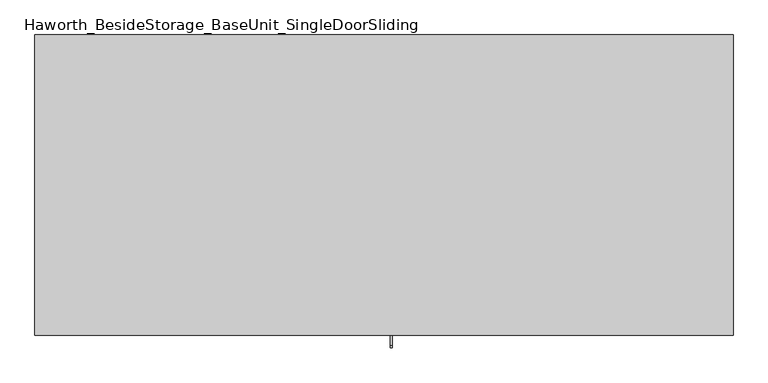
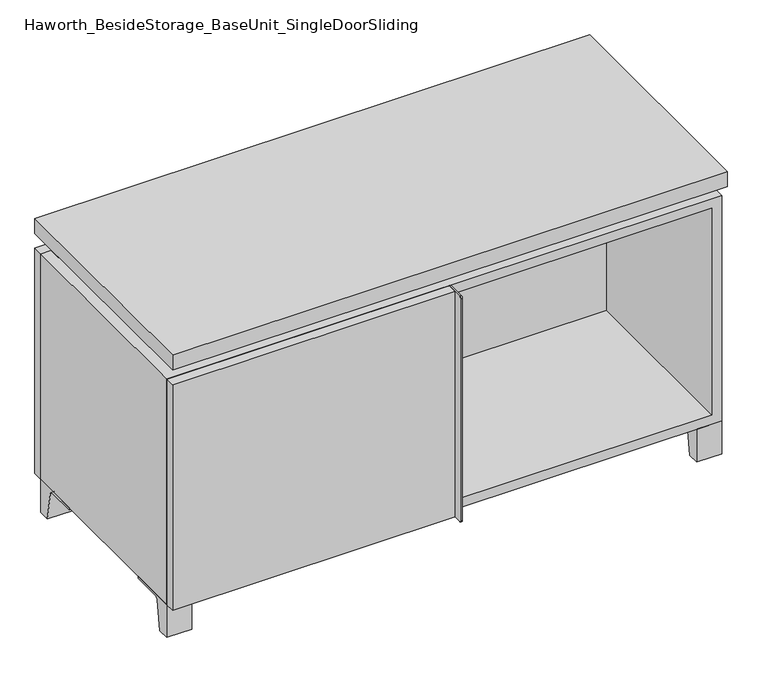
"""IFC4 building model written with IfcOpenShell, lengths in millimetres: furniture geometry, Haworth_BesideStorage_BaseUnit_SingleDoorSliding."""

from ifc_helpers import new_model, si_unit, point, frame, frame_2d, origin, place, context, project, spatial, polyline, circle_curve, trimmed, segment, composite_curve, outline, extrude, faceted_brep, source, transform, mapped, element, save


def haworth_besidestorage_baseunit_singledoorsliding_3ed6c45e(model_context):
    return source(origin(), model_context, "Body", "SolidModel", [
        extrude(outline(composite_curve([segment(polyline([(-123.2958469, 0.0), (-146.05, 0.0), (-146.05, 66.675), (-50.8, 66.675), (-50.8, 61.8963321), (-107.6005345, 61.8963321)]), True, "CONTINUOUS"), segment(trimmed(circle_curve(frame_2d((-107.6005345, 55.5463321)), 6.35), [point((-107.6005345, 61.8963321))], [point((-113.8641359, 56.5902656))], True, "CARTESIAN"), True, "CONTINUOUS"), segment(polyline([(-113.8641359, 56.5902656), (-123.2958469, 0.0)]), True, "CONTINUOUS")], self_intersect=False)), frame((484.2013906, 0.0, 0.0), z_axis=(1.0, 0.0, 0.0), x_axis=(0.0, 1.0, 0.0)), (0.0, 0.0, 1.0), 47.625),
        extrude(outline(composite_curve([segment(polyline([(250.2958469, 0.0), (240.8641359, 56.5902656)]), True, "CONTINUOUS"), segment(trimmed(circle_curve(frame_2d((234.6005345, 55.5463321)), 6.35), [point((240.8641359, 56.5902656))], [point((234.6005345, 61.8963321))], True, "CARTESIAN"), True, "CONTINUOUS"), segment(polyline([(234.6005345, 61.8963321), (177.8, 61.8963321), (177.8, 66.675), (273.05, 66.675), (273.05, 0.0), (250.2958469, 0.0)]), True, "CONTINUOUS")], self_intersect=False)), frame((484.2013906, 0.0, 0.0), z_axis=(1.0, 0.0, 0.0), x_axis=(0.0, 1.0, 0.0)), (0.0, 0.0, 1.0), 47.625),
        extrude(outline(composite_curve([segment(polyline([(-123.2958469, 0.0), (-146.05, 0.0), (-146.05, 66.675), (-50.8, 66.675), (-50.8, 61.8963321), (-107.6005345, 61.8963321)]), True, "CONTINUOUS"), segment(trimmed(circle_curve(frame_2d((-107.6005345, 55.5463321)), 6.35), [point((-107.6005345, 61.8963321))], [point((-113.8641359, 56.5902656))], True, "CARTESIAN"), True, "CONTINUOUS"), segment(polyline([(-113.8641359, 56.5902656), (-123.2958469, 0.0)]), True, "CONTINUOUS")], self_intersect=False)), frame((-531.7986094, 0.0, 0.0), z_axis=(1.0, 0.0, 0.0), x_axis=(0.0, 1.0, 0.0)), (0.0, 0.0, 1.0), 47.625),
        extrude(outline(composite_curve([segment(polyline([(250.2958469, 0.0), (240.8641359, 56.5902656)]), True, "CONTINUOUS"), segment(trimmed(circle_curve(frame_2d((234.6005345, 55.5463321)), 6.35), [point((240.8641359, 56.5902656))], [point((234.6005345, 61.8963321))], True, "CARTESIAN"), True, "CONTINUOUS"), segment(polyline([(234.6005345, 61.8963321), (177.8, 61.8963321), (177.8, 66.675), (273.05, 66.675), (273.05, 0.0), (250.2958469, 0.0)]), True, "CONTINUOUS")], self_intersect=False)), frame((-531.7986094, 0.0, 0.0), z_axis=(1.0, 0.0, 0.0), x_axis=(0.0, 1.0, 0.0)), (0.0, 0.0, 1.0), 47.625),
        faceted_brep([(-531.7986094, -146.05, 66.675), (531.8125, -146.05, 66.675), (531.8125, -146.05, 523.875), (-531.7986094, -146.05, 523.875), (-512.7486094, -146.05, 85.725), (-512.7486094, -146.05, 504.825), (512.7694453, -146.05, 504.825), (512.7486094, -146.05, 85.725), (-531.7986094, 273.05, 66.675), (-531.7986094, 273.05, 523.875), (-512.7486094, 273.05, 523.875), (-512.7486094, 273.05, 85.725), (512.7486094, 273.05, 85.725), (512.7486094, 273.05, 523.875), (531.8125, 273.05, 523.875), (531.8125, 273.05, 66.675), (512.7486094, 247.65, 523.875), (-512.7416641, 247.65, 523.875), (-512.7486094, 247.65, 504.825), (512.7486094, 247.65, 504.825)], [[[0, 1, 2, 3], [4, 5, 6, 7]], [[8, 9, 10, 11, 12, 13, 14, 15]], [[1, 0, 8, 15]], [[2, 1, 15, 14]], [[3, 2, 14, 13, 16, 17, 10, 9]], [[0, 3, 9, 8]], [[11, 10, 17, 18, 5, 4]], [[13, 12, 7, 6, 19, 16]], [[4, 7, 12, 11]], [[6, 5, 18, 19]], [[17, 16, 19, 18]]]),
        extrude(outline(polyline([(531.8263906, -165.1), (-531.7986094, -165.1), (-531.7986094, 292.1), (531.8263906, 292.1), (531.8263906, -165.1)])), frame((0.0, 0.0, 554.0375), z_axis=(0.0, 0.0, 1.0), x_axis=(1.0, 0.0, 0.0)), (0.0, 0.0, 1.0), 30.1625),
        faceted_brep([(7.9513906, -69.85, 554.0375), (7.9513906, -69.85, 523.875), (7.9513906, 53.975, 523.875), (7.9513906, 53.975, 554.0375), (7.9513906, 196.85, 523.875), (7.9513906, 196.85, 554.0375), (7.9513906, 73.025, 554.0375), (7.9513906, 73.025, 523.875), (-7.9236094, 196.85, 554.0375), (-7.9236094, 196.85, 523.875), (-7.9236094, 73.025, 523.875), (-7.9236094, 73.025, 554.0375), (-7.9236094, -69.85, 523.875), (-7.9236094, -69.85, 554.0375), (-7.9236094, 53.975, 554.0375), (-7.9236094, 53.975, 523.875), (-490.4958281, 73.025, 554.0375), (-490.5166641, 247.65, 554.0375), (-506.3916641, 247.65, 554.0375), (-506.3916641, -120.65, 554.0375), (-490.5166641, -120.65, 554.0375), (-490.5166641, 53.975, 554.0375), (490.5236094, 53.975, 554.0375), (490.5236094, -120.65, 554.0375), (506.3986094, -120.65, 554.0375), (506.3986094, 247.65, 554.0375), (490.5236094, 247.65, 554.0375), (490.5236094, 73.025, 554.0375), (-490.4958281, 53.975, 523.875), (-490.5166641, -120.65, 523.875), (-506.3916641, -120.65, 523.875), (-506.3916641, 247.65, 523.875), (-490.5166641, 247.65, 523.875), (-490.5166641, 73.025, 523.875), (490.5236094, 73.025, 523.875), (490.5236094, 247.65, 523.875), (506.3986094, 247.65, 523.875), (506.3986094, -120.65, 523.875), (490.5236094, -120.65, 523.875), (490.5236094, 53.975, 523.875)], [[[0, 1, 2, 3]], [[4, 5, 6, 7]], [[8, 9, 10, 11]], [[12, 13, 14, 15]], [[5, 8, 11, 16, 17, 18, 19, 20, 21, 14, 13, 0, 3, 22, 23, 24, 25, 26, 27, 6]], [[1, 12, 15, 28, 29, 30, 31, 32, 33, 10, 9, 4, 7, 34, 35, 36, 37, 38, 39, 2]], [[5, 4, 9, 8]], [[1, 0, 13, 12]], [[6, 27, 34, 7]], [[22, 3, 2, 39]], [[20, 29, 28, 21]], [[32, 17, 16, 33]], [[18, 31, 30, 19]], [[29, 20, 19, 30]], [[17, 32, 31, 18]], [[26, 35, 34, 27]], [[38, 23, 22, 39]], [[25, 24, 37, 36]], [[23, 38, 37, 24]], [[35, 26, 25, 36]], [[16, 11, 10, 33]], [[14, 21, 28, 15]]]),
        extrude(outline(polyline([(9.5388906, 203.2), (9.5388906, -146.05), (-9.5111094, -146.05), (-9.5111094, 203.2), (9.5388906, 203.2)])), frame((0.0, 0.0, 85.725), z_axis=(0.0, 0.0, 1.0), x_axis=(1.0, 0.0, 0.0)), (0.0, 0.0, 1.0), 419.1),
        extrude(outline(polyline([(531.8263906, 273.05), (-531.7986094, 273.05), (-531.7986094, 292.1), (531.8263906, 292.1), (531.8263906, 273.05)])), frame((0.0, 0.0, 66.675), z_axis=(0.0, 0.0, 1.0), x_axis=(1.0, 0.0, 0.0)), (0.0, 0.0, 1.0), 457.2),
        extrude(outline(polyline([(-512.7416641, 203.2), (-512.7416641, 209.55), (512.7694453, 209.55), (512.7694453, 203.2), (-512.7416641, 203.2)])), frame((0.0, 0.0, 85.725), z_axis=(0.0, 0.0, 1.0), x_axis=(1.0, 0.0, 0.0)), (0.0, 0.0, 1.0), 419.1),
        extrude(outline(composite_curve([segment(polyline([(-146.05, 523.875), (-146.05, 66.675), (-180.975, 66.675)]), True, "CONTINUOUS"), segment(trimmed(circle_curve(frame_2d((-180.975, 69.85)), 3.175), [point((-180.975, 66.675))], [point((-184.15, 69.85))], False, "CARTESIAN"), True, "CONTINUOUS"), segment(polyline([(-184.15, 69.85), (-184.15, 520.7)]), True, "CONTINUOUS"), segment(trimmed(circle_curve(frame_2d((-180.975, 520.7)), 3.175), [point((-184.15, 520.7))], [point((-180.975, 523.875))], False, "CARTESIAN"), True, "CONTINUOUS"), segment(polyline([(-180.975, 523.875), (-146.05, 523.875)]), True, "CONTINUOUS")], self_intersect=False)), frame((9.5388906, 0.0, 0.0), z_axis=(1.0, 0.0, 0.0), x_axis=(0.0, 1.0, 0.0)), (0.0, 0.0, 1.0), 3.175),
        extrude(outline(polyline([(-531.7986094, -146.05), (9.5388906, -146.05), (9.5388906, -165.1), (-531.7986094, -165.1), (-531.7986094, -146.05)])), frame((0.0, 0.0, 66.675), z_axis=(0.0, 0.0, 1.0), x_axis=(1.0, 0.0, 0.0)), (0.0, 0.0, 1.0), 457.2),
    ])


if __name__ == "__main__":
    model = new_model("IFC4")
    model_context = context("Model", 3, world=origin())
    ifc_project = project(units=[si_unit("LENGTHUNIT", "METRE", prefix="MILLI")], contexts=[model_context])
    site = spatial("IfcSite", under=ifc_project)
    building = spatial("IfcBuilding", under=site)
    placement = place(None, origin())
    haworth_besidestorage_baseunit_singledoorsliding_shape = haworth_besidestorage_baseunit_singledoorsliding_3ed6c45e(model_context)
    element("IfcFurniture", 1, ObjectType="Haworth_BesideStorage_BaseUnit_SingleDoorSliding", at=placement, inside=building, context=model_context, shape_type="MappedRepresentation", body=[
        mapped(haworth_besidestorage_baseunit_singledoorsliding_shape, transform((0.0, 0.0, 0.0), x_axis=(1.0, 0.0, 0.0), y_axis=(0.0, 1.0, 0.0), z_axis=(0.0, 0.0, 1.0))),
    ])
    save(model, "model.ifc")
